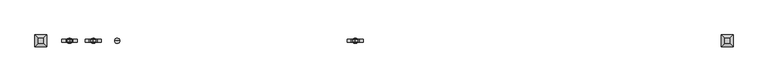
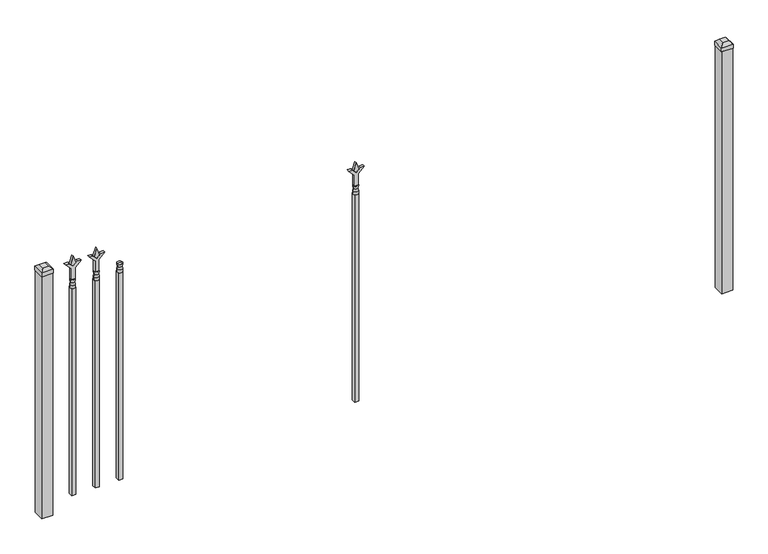
"""IFC4 building model written with IfcOpenShell, lengths in millimetres: railing geometry."""

from ifc_helpers import new_model, si_unit, frame, origin, origin_with_axes, place, context, project, spatial, polyline, circle_curve, outline, extrude, faceted_brep, source, transform, mapped, element, save
from ifc_brep_helpers import plane_surface, cylinder_surface, revolved_surface, advanced_brep


def railing_bea82b20(model_context):
    return source(origin(), model_context, "Body", "SolidModel", [
        advanced_brep(
        [(-79271.1035036, -9169.6570174, 1079.5), (-79294.9160036, -9169.6570174, 1079.5), (-79294.9160036, -9169.6570174, 1066.8), (-79271.1035036, -9169.6570174, 1066.8), (-79273.3088355, -9169.6570174, 1092.0070585), (-79292.7106718, -9169.6570174, 1092.0070585), (-79271.1035036, -9169.6570174, 1108.075), (-79294.9160036, -9169.6570174, 1108.075), (-79283.0097536, -9169.6570174, 1108.075), (-79283.0097536, -9169.6570174, 1066.8)],
        [
            (0, 1, circle_curve(frame((-79283.0097536, -9169.6570174, 1079.5), z_axis=(0.0, 0.0, -1.0), x_axis=(-1.0, 0.0, 0.0)), 11.90625)),
            (1, 2),
            (2, 3, circle_curve(frame((-79283.0097536, -9169.6570174, 1066.8), z_axis=(0.0, 0.0, 1.0), x_axis=(-1.0, 0.0, 0.0)), 11.90625)),
            (3, 0),
            (1, 0, circle_curve(frame((-79283.0097536, -9169.6570174, 1079.5), z_axis=(0.0, 0.0, -1.0), x_axis=(-1.0, 0.0, 0.0)), 11.90625)),
            (3, 2, circle_curve(frame((-79283.0097536, -9169.6570174, 1066.8), z_axis=(0.0, 0.0, 1.0), x_axis=(-1.0, 0.0, 0.0)), 11.90625)),
            (4, 5, circle_curve(frame((-79283.0097536, -9169.6570174, 1092.0070585), z_axis=(0.0, 0.0, -1.0), x_axis=(-1.0, 0.0, 0.0)), 9.7009181)),
            (5, 1),
            (0, 4),
            (5, 4, circle_curve(frame((-79283.0097536, -9169.6570174, 1092.0070585), z_axis=(0.0, 0.0, -1.0), x_axis=(-1.0, 0.0, 0.0)), 9.7009181)),
            (6, 7, circle_curve(frame((-79283.0097536, -9169.6570174, 1108.075), z_axis=(0.0, 0.0, -1.0), x_axis=(-1.0, 0.0, 0.0)), 11.90625)),
            (7, 5),
            (4, 6),
            (7, 6, circle_curve(frame((-79283.0097536, -9169.6570174, 1108.075), z_axis=(0.0, 0.0, -1.0), x_axis=(-1.0, 0.0, 0.0)), 11.90625)),
            (8, 7),
            (6, 8),
            (2, 9),
            (9, 3),
        ],
        [
            cylinder_surface(frame((-79283.0097536, -9169.6570174, 1066.8), z_axis=(0.0, 0.0, 1.0), x_axis=(-1.0, 0.0, 0.0)), 11.90625),
            revolved_surface(polyline([(-79294.9160036, -9169.6570174, 1079.5), (-79292.7106718, -9169.6570174, 1092.0070585)]), (-79283.0097536, -9169.6570174, 1066.8), (0.0, 0.0, 1.0)),
            revolved_surface(polyline([(-79292.7106718, -9169.6570174, 1092.0070585), (-79294.9160036, -9169.6570174, 1108.075)]), (-79283.0097536, -9169.6570174, 1066.8), (0.0, 0.0, 1.0)),
            plane_surface(frame((-79283.0097536, -9169.6570174, 1108.075), z_axis=(0.0, 0.0, 1.0), x_axis=(-1.0, 0.0, 0.0))),
            plane_surface(frame((-79283.0097536, -9169.6570174, 1066.8), z_axis=(0.0, 0.0, -1.0), x_axis=(-1.0, 0.0, 0.0))),
        ],
        [
            (0, [[1, 2, 3, 4]]),
            (0, [[5, -4, 6, -2]]),
            (1, [[7, 8, -1, 9]]),
            (1, [[10, -9, -5, -8]]),
            (2, [[11, 12, -7, 13]]),
            (2, [[14, -13, -10, -12]]),
            (3, [[15, -11, 16]]),
            (3, [[-16, -14, -15]]),
            (4, [[-3, 17, 18]]),
            (4, [[-6, -18, -17]]),
        ],
    ),
        extrude(outline(polyline([(-79292.5347536, -9160.1320174), (-79273.4847536, -9160.1320174), (-79273.4847536, -9179.1820174), (-79292.5347536, -9179.1820174), (-79292.5347536, -9160.1320174)])), frame((0.0, 0.0, 50.8), z_axis=(0.0, 0.0, 1.0), x_axis=(1.0, 0.0, 0.0)), (0.0, 0.0, 1.0), 1016.0),
        extrude(outline(polyline([(1183.48125, -79380.3764203), (1219.2, -79392.2826703), (1183.48125, -79404.1889203), (1171.575, -79392.2826703), (1183.48125, -79380.3764203)])), frame((0.0, -9174.4195174, 0.0), z_axis=(0.0, 1.0, 0.0), x_axis=(0.0, 0.0, 1.0)), (0.0, 0.0, 1.0), 9.525),
        extrude(outline(polyline([(1108.075, -79383.5514203), (1162.3457378, -79383.5514203), (1189.5355122, -79356.3616458), (1189.5355122, -79374.3221581), (1171.575, -79392.2826703), (1189.5355122, -79410.2431825), (1189.5355122, -79428.2036948), (1162.3457378, -79401.0139203), (1108.075, -79401.0139203), (1108.075, -79383.5514203)])), frame((0.0, -9176.0070174, 0.0), z_axis=(0.0, 1.0, 0.0), x_axis=(0.0, 0.0, 1.0)), (0.0, 0.0, 1.0), 12.7),
        advanced_brep(
        [(-79380.3764203, -9169.6570174, 1079.5), (-79404.1889203, -9169.6570174, 1079.5), (-79404.1889203, -9169.6570174, 1066.8), (-79380.3764203, -9169.6570174, 1066.8), (-79382.5817522, -9169.6570174, 1092.0070585), (-79401.9835884, -9169.6570174, 1092.0070585), (-79380.3764203, -9169.6570174, 1108.075), (-79404.1889203, -9169.6570174, 1108.075), (-79392.2826703, -9169.6570174, 1108.075), (-79392.2826703, -9169.6570174, 1066.8)],
        [
            (0, 1, circle_curve(frame((-79392.2826703, -9169.6570174, 1079.5), z_axis=(0.0, 0.0, -1.0), x_axis=(-1.0, 0.0, 0.0)), 11.90625)),
            (1, 2),
            (2, 3, circle_curve(frame((-79392.2826703, -9169.6570174, 1066.8), z_axis=(0.0, 0.0, 1.0), x_axis=(-1.0, 0.0, 0.0)), 11.90625)),
            (3, 0),
            (1, 0, circle_curve(frame((-79392.2826703, -9169.6570174, 1079.5), z_axis=(0.0, 0.0, -1.0), x_axis=(-1.0, 0.0, 0.0)), 11.90625)),
            (3, 2, circle_curve(frame((-79392.2826703, -9169.6570174, 1066.8), z_axis=(0.0, 0.0, 1.0), x_axis=(-1.0, 0.0, 0.0)), 11.90625)),
            (4, 5, circle_curve(frame((-79392.2826703, -9169.6570174, 1092.0070585), z_axis=(0.0, 0.0, -1.0), x_axis=(-1.0, 0.0, 0.0)), 9.7009181)),
            (5, 1),
            (0, 4),
            (5, 4, circle_curve(frame((-79392.2826703, -9169.6570174, 1092.0070585), z_axis=(0.0, 0.0, -1.0), x_axis=(-1.0, 0.0, 0.0)), 9.7009181)),
            (6, 7, circle_curve(frame((-79392.2826703, -9169.6570174, 1108.075), z_axis=(0.0, 0.0, -1.0), x_axis=(-1.0, 0.0, 0.0)), 11.90625)),
            (7, 5),
            (4, 6),
            (7, 6, circle_curve(frame((-79392.2826703, -9169.6570174, 1108.075), z_axis=(0.0, 0.0, -1.0), x_axis=(-1.0, 0.0, 0.0)), 11.90625)),
            (8, 7),
            (6, 8),
            (2, 9),
            (9, 3),
        ],
        [
            cylinder_surface(frame((-79392.2826703, -9169.6570174, 1066.8), z_axis=(0.0, 0.0, 1.0), x_axis=(-1.0, 0.0, 0.0)), 11.90625),
            revolved_surface(polyline([(-79404.1889203, -9169.6570174, 1079.5), (-79401.9835884, -9169.6570174, 1092.0070585)]), (-79392.2826703, -9169.6570174, 1066.8), (0.0, 0.0, 1.0)),
            revolved_surface(polyline([(-79401.9835884, -9169.6570174, 1092.0070585), (-79404.1889203, -9169.6570174, 1108.075)]), (-79392.2826703, -9169.6570174, 1066.8), (0.0, 0.0, 1.0)),
            plane_surface(frame((-79392.2826703, -9169.6570174, 1108.075), z_axis=(0.0, 0.0, 1.0), x_axis=(-1.0, 0.0, 0.0))),
            plane_surface(frame((-79392.2826703, -9169.6570174, 1066.8), z_axis=(0.0, 0.0, -1.0), x_axis=(-1.0, 0.0, 0.0))),
        ],
        [
            (0, [[1, 2, 3, 4]]),
            (0, [[5, -4, 6, -2]]),
            (1, [[7, 8, -1, 9]]),
            (1, [[10, -9, -5, -8]]),
            (2, [[11, 12, -7, 13]]),
            (2, [[14, -13, -10, -12]]),
            (3, [[15, -11, 16]]),
            (3, [[-16, -14, -15]]),
            (4, [[-3, 17, 18]]),
            (4, [[-6, -18, -17]]),
        ],
    ),
        extrude(outline(polyline([(-79401.8076703, -9160.1320174), (-79382.7576703, -9160.1320174), (-79382.7576703, -9179.1820174), (-79401.8076703, -9179.1820174), (-79401.8076703, -9160.1320174)])), frame((0.0, 0.0, 50.8), z_axis=(0.0, 0.0, 1.0), x_axis=(1.0, 0.0, 0.0)), (0.0, 0.0, 1.0), 1016.0),
        extrude(outline(polyline([(1183.48125, -78178.374337), (1219.2, -78190.280587), (1183.48125, -78202.186837), (1171.575, -78190.280587), (1183.48125, -78178.374337)])), frame((0.0, -9174.4195174, 0.0), z_axis=(0.0, 1.0, 0.0), x_axis=(0.0, 0.0, 1.0)), (0.0, 0.0, 1.0), 9.525),
        extrude(outline(polyline([(1108.075, -78181.549337), (1162.3457378, -78181.549337), (1189.5355122, -78154.3595625), (1189.5355122, -78172.3200747), (1171.575, -78190.280587), (1189.5355122, -78208.2410992), (1189.5355122, -78226.2016114), (1162.3457378, -78199.011837), (1108.075, -78199.011837), (1108.075, -78181.549337)])), frame((0.0, -9176.0070174, 0.0), z_axis=(0.0, 1.0, 0.0), x_axis=(0.0, 0.0, 1.0)), (0.0, 0.0, 1.0), 12.7),
        advanced_brep(
        [(-78178.374337, -9169.6570174, 1079.5), (-78202.186837, -9169.6570174, 1079.5), (-78202.186837, -9169.6570174, 1066.8), (-78178.374337, -9169.6570174, 1066.8), (-78180.5796688, -9169.6570174, 1092.0070585), (-78199.9815051, -9169.6570174, 1092.0070585), (-78178.374337, -9169.6570174, 1108.075), (-78202.186837, -9169.6570174, 1108.075), (-78190.280587, -9169.6570174, 1108.075), (-78190.280587, -9169.6570174, 1066.8)],
        [
            (0, 1, circle_curve(frame((-78190.280587, -9169.6570174, 1079.5), z_axis=(0.0, 0.0, -1.0), x_axis=(-1.0, 0.0, 0.0)), 11.90625)),
            (1, 2),
            (2, 3, circle_curve(frame((-78190.280587, -9169.6570174, 1066.8), z_axis=(0.0, 0.0, 1.0), x_axis=(-1.0, 0.0, 0.0)), 11.90625)),
            (3, 0),
            (1, 0, circle_curve(frame((-78190.280587, -9169.6570174, 1079.5), z_axis=(0.0, 0.0, -1.0), x_axis=(-1.0, 0.0, 0.0)), 11.90625)),
            (3, 2, circle_curve(frame((-78190.280587, -9169.6570174, 1066.8), z_axis=(0.0, 0.0, 1.0), x_axis=(-1.0, 0.0, 0.0)), 11.90625)),
            (4, 5, circle_curve(frame((-78190.280587, -9169.6570174, 1092.0070585), z_axis=(0.0, 0.0, -1.0), x_axis=(-1.0, 0.0, 0.0)), 9.7009181)),
            (5, 1),
            (0, 4),
            (5, 4, circle_curve(frame((-78190.280587, -9169.6570174, 1092.0070585), z_axis=(0.0, 0.0, -1.0), x_axis=(-1.0, 0.0, 0.0)), 9.7009181)),
            (6, 7, circle_curve(frame((-78190.280587, -9169.6570174, 1108.075), z_axis=(0.0, 0.0, -1.0), x_axis=(-1.0, 0.0, 0.0)), 11.90625)),
            (7, 5),
            (4, 6),
            (7, 6, circle_curve(frame((-78190.280587, -9169.6570174, 1108.075), z_axis=(0.0, 0.0, -1.0), x_axis=(-1.0, 0.0, 0.0)), 11.90625)),
            (8, 7),
            (6, 8),
            (2, 9),
            (9, 3),
        ],
        [
            cylinder_surface(frame((-78190.280587, -9169.6570174, 1066.8), z_axis=(0.0, 0.0, 1.0), x_axis=(-1.0, 0.0, 0.0)), 11.90625),
            revolved_surface(polyline([(-78202.186837, -9169.6570174, 1079.5), (-78199.9815051, -9169.6570174, 1092.0070585)]), (-78190.280587, -9169.6570174, 1066.8), (0.0, 0.0, 1.0)),
            revolved_surface(polyline([(-78199.9815051, -9169.6570174, 1092.0070585), (-78202.186837, -9169.6570174, 1108.075)]), (-78190.280587, -9169.6570174, 1066.8), (0.0, 0.0, 1.0)),
            plane_surface(frame((-78190.280587, -9169.6570174, 1108.075), z_axis=(0.0, 0.0, 1.0), x_axis=(-1.0, 0.0, 0.0))),
            plane_surface(frame((-78190.280587, -9169.6570174, 1066.8), z_axis=(0.0, 0.0, -1.0), x_axis=(-1.0, 0.0, 0.0))),
        ],
        [
            (0, [[1, 2, 3, 4]]),
            (0, [[5, -4, 6, -2]]),
            (1, [[7, 8, -1, 9]]),
            (1, [[10, -9, -5, -8]]),
            (2, [[11, 12, -7, 13]]),
            (2, [[14, -13, -10, -12]]),
            (3, [[15, -11, 16]]),
            (3, [[-16, -14, -15]]),
            (4, [[-3, 17, 18]]),
            (4, [[-6, -18, -17]]),
        ],
    ),
        extrude(outline(polyline([(-78199.805587, -9160.1320174), (-78180.755587, -9160.1320174), (-78180.755587, -9179.1820174), (-78199.805587, -9179.1820174), (-78199.805587, -9160.1320174)])), frame((0.0, 0.0, 50.8), z_axis=(0.0, 0.0, 1.0), x_axis=(1.0, 0.0, 0.0)), (0.0, 0.0, 1.0), 1016.0),
        extrude(outline(polyline([(1183.48125, -79489.649337), (1219.2, -79501.555587), (1183.48125, -79513.461837), (1171.575, -79501.555587), (1183.48125, -79489.649337)])), frame((0.0, -9174.4195174, 0.0), z_axis=(0.0, 1.0, 0.0), x_axis=(0.0, 0.0, 1.0)), (0.0, 0.0, 1.0), 9.525),
        extrude(outline(polyline([(1108.075, -79492.824337), (1162.3457378, -79492.824337), (1189.5355122, -79465.6345625), (1189.5355122, -79483.5950747), (1171.575, -79501.555587), (1189.5355122, -79519.5160992), (1189.5355122, -79537.4766114), (1162.3457378, -79510.286837), (1108.075, -79510.286837), (1108.075, -79492.824337)])), frame((0.0, -9176.0070174, 0.0), z_axis=(0.0, 1.0, 0.0), x_axis=(0.0, 0.0, 1.0)), (0.0, 0.0, 1.0), 12.7),
        advanced_brep(
        [(-79489.649337, -9169.6570174, 1079.5), (-79513.461837, -9169.6570174, 1079.5), (-79513.461837, -9169.6570174, 1066.8), (-79489.649337, -9169.6570174, 1066.8), (-79491.8546688, -9169.6570174, 1092.0070585), (-79511.2565051, -9169.6570174, 1092.0070585), (-79489.649337, -9169.6570174, 1108.075), (-79513.461837, -9169.6570174, 1108.075), (-79501.555587, -9169.6570174, 1108.075), (-79501.555587, -9169.6570174, 1066.8)],
        [
            (0, 1, circle_curve(frame((-79501.555587, -9169.6570174, 1079.5), z_axis=(0.0, 0.0, -1.0), x_axis=(-1.0, 0.0, 0.0)), 11.90625)),
            (1, 2),
            (2, 3, circle_curve(frame((-79501.555587, -9169.6570174, 1066.8), z_axis=(0.0, 0.0, 1.0), x_axis=(-1.0, 0.0, 0.0)), 11.90625)),
            (3, 0),
            (1, 0, circle_curve(frame((-79501.555587, -9169.6570174, 1079.5), z_axis=(0.0, 0.0, -1.0), x_axis=(-1.0, 0.0, 0.0)), 11.90625)),
            (3, 2, circle_curve(frame((-79501.555587, -9169.6570174, 1066.8), z_axis=(0.0, 0.0, 1.0), x_axis=(-1.0, 0.0, 0.0)), 11.90625)),
            (4, 5, circle_curve(frame((-79501.555587, -9169.6570174, 1092.0070585), z_axis=(0.0, 0.0, -1.0), x_axis=(-1.0, 0.0, 0.0)), 9.7009181)),
            (5, 1),
            (0, 4),
            (5, 4, circle_curve(frame((-79501.555587, -9169.6570174, 1092.0070585), z_axis=(0.0, 0.0, -1.0), x_axis=(-1.0, 0.0, 0.0)), 9.7009181)),
            (6, 7, circle_curve(frame((-79501.555587, -9169.6570174, 1108.075), z_axis=(0.0, 0.0, -1.0), x_axis=(-1.0, 0.0, 0.0)), 11.90625)),
            (7, 5),
            (4, 6),
            (7, 6, circle_curve(frame((-79501.555587, -9169.6570174, 1108.075), z_axis=(0.0, 0.0, -1.0), x_axis=(-1.0, 0.0, 0.0)), 11.90625)),
            (8, 7),
            (6, 8),
            (2, 9),
            (9, 3),
        ],
        [
            cylinder_surface(frame((-79501.555587, -9169.6570174, 1066.8), z_axis=(0.0, 0.0, 1.0), x_axis=(-1.0, 0.0, 0.0)), 11.90625),
            revolved_surface(polyline([(-79513.461837, -9169.6570174, 1079.5), (-79511.2565051, -9169.6570174, 1092.0070585)]), (-79501.555587, -9169.6570174, 1066.8), (0.0, 0.0, 1.0)),
            revolved_surface(polyline([(-79511.2565051, -9169.6570174, 1092.0070585), (-79513.461837, -9169.6570174, 1108.075)]), (-79501.555587, -9169.6570174, 1066.8), (0.0, 0.0, 1.0)),
            plane_surface(frame((-79501.555587, -9169.6570174, 1108.075), z_axis=(0.0, 0.0, 1.0), x_axis=(-1.0, 0.0, 0.0))),
            plane_surface(frame((-79501.555587, -9169.6570174, 1066.8), z_axis=(0.0, 0.0, -1.0), x_axis=(-1.0, 0.0, 0.0))),
        ],
        [
            (0, [[1, 2, 3, 4]]),
            (0, [[5, -4, 6, -2]]),
            (1, [[7, 8, -1, 9]]),
            (1, [[10, -9, -5, -8]]),
            (2, [[11, 12, -7, 13]]),
            (2, [[14, -13, -10, -12]]),
            (3, [[15, -11, 16]]),
            (3, [[-16, -14, -15]]),
            (4, [[-3, 17, 18]]),
            (4, [[-6, -18, -17]]),
        ],
    ),
        extrude(outline(polyline([(-79511.080587, -9160.1320174), (-79492.030587, -9160.1320174), (-79492.030587, -9179.1820174), (-79511.080587, -9179.1820174), (-79511.080587, -9160.1320174)])), frame((0.0, 0.0, 50.8), z_axis=(0.0, 0.0, 1.0), x_axis=(1.0, 0.0, 0.0)), (0.0, 0.0, 1.0), 1016.0),
        extrude(outline(polyline([(-76458.318087, -9144.2570174), (-76458.318087, -9195.0570174), (-76509.118087, -9195.0570174), (-76509.118087, -9144.2570174), (-76458.318087, -9144.2570174)])), origin_with_axes(), (0.0, 0.0, 1.0), 1187.45),
        faceted_brep([(-76510.705587, -9142.6695174, 1206.5), (-76510.705587, -9142.6695174, 1187.45), (-76510.705587, -9196.6445174, 1187.45), (-76510.705587, -9196.6445174, 1206.5), (-76498.005587, -9155.3695174, 1219.2), (-76498.005587, -9183.9445174, 1219.2), (-76456.730587, -9196.6445174, 1187.45), (-76456.730587, -9196.6445174, 1206.5), (-76469.430587, -9183.9445174, 1219.2), (-76456.730587, -9142.6695174, 1187.45), (-76456.730587, -9142.6695174, 1206.5), (-76469.430587, -9155.3695174, 1219.2)], [[[0, 1, 2, 3]], [[4, 0, 3, 5]], [[3, 2, 6, 7]], [[5, 3, 7, 8]], [[7, 6, 9, 10]], [[8, 7, 10, 11]], [[10, 9, 1, 0]], [[11, 10, 0, 4]], [[5, 8, 11, 4]], [[1, 9, 6, 2]]]),
        extrude(outline(polyline([(-79607.918087, -9144.2570174), (-79607.918087, -9195.0570174), (-79658.718087, -9195.0570174), (-79658.718087, -9144.2570174), (-79607.918087, -9144.2570174)])), origin_with_axes(), (0.0, 0.0, 1.0), 1187.45),
        faceted_brep([(-79660.305587, -9142.6695174, 1206.5), (-79660.305587, -9142.6695174, 1187.45), (-79660.305587, -9196.6445174, 1187.45), (-79660.305587, -9196.6445174, 1206.5), (-79647.605587, -9155.3695174, 1219.2), (-79647.605587, -9183.9445174, 1219.2), (-79606.330587, -9196.6445174, 1187.45), (-79606.330587, -9196.6445174, 1206.5), (-79619.030587, -9183.9445174, 1219.2), (-79606.330587, -9142.6695174, 1187.45), (-79606.330587, -9142.6695174, 1206.5), (-79619.030587, -9155.3695174, 1219.2)], [[[0, 1, 2, 3]], [[4, 0, 3, 5]], [[3, 2, 6, 7]], [[5, 3, 7, 8]], [[7, 6, 9, 10]], [[8, 7, 10, 11]], [[10, 9, 1, 0]], [[11, 10, 0, 4]], [[5, 8, 11, 4]], [[1, 9, 6, 2]]]),
    ])


if __name__ == "__main__":
    model = new_model("IFC4")
    model_context = context("Model", 3, world=origin())
    ifc_project = project(units=[si_unit("LENGTHUNIT", "METRE", prefix="MILLI")], contexts=[model_context])
    site = spatial("IfcSite", under=ifc_project)
    building = spatial("IfcBuilding", under=site)
    placement = place(None, origin())
    railing_shape = railing_bea82b20(model_context)
    element("IfcRailing", 1, at=placement, inside=building, context=model_context, shape_type="MappedRepresentation", body=[
        mapped(railing_shape, transform((0.0, 0.0, 0.0), x_axis=(1.0, 0.0, 0.0), y_axis=(0.0, 1.0, 0.0), z_axis=(0.0, 0.0, 1.0))),
    ])
    save(model, "model.ifc")
